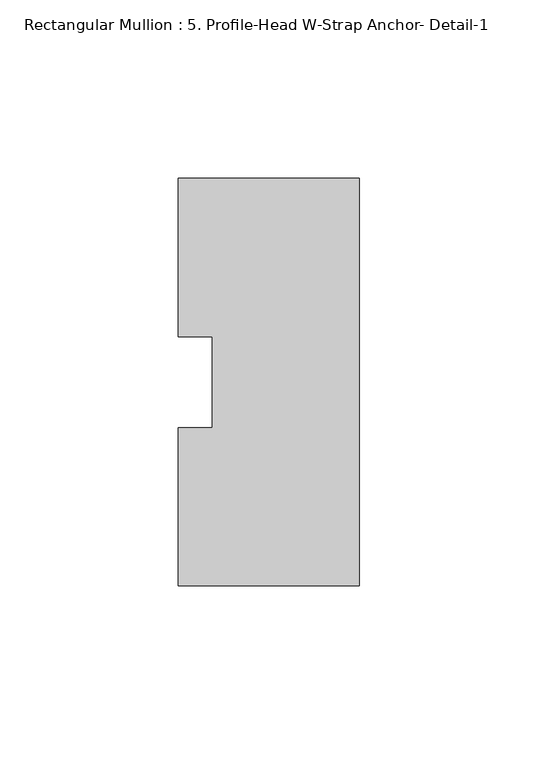
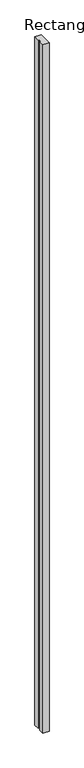
"""IFC4 building model written with IfcOpenShell, lengths in millimetres: member geometry, Rectangular Mullion : 5. Profile-Head W-Strap Anchor- Detail-1."""

from ifc_helpers import new_model, si_unit, frame, origin, place, context, project, spatial, polyline, outline, extrude, source, transform, mapped, element, save


def rectangular_mullion_5_profile_head_w_strap_anchor_detail_1_d3d77f17(model_context):
    return source(origin(), model_context, "Body", "SweptSolid", [
        extrude(outline(polyline([(0.0, 57.15), (0.0, -57.15), (-50.8, -57.15), (-50.8, -12.7549391), (-41.275, -12.7549391), (-41.275, 12.7327592), (-50.8, 12.7327592), (-50.8, 57.15), (0.0, 57.15)])), frame((0.0, 0.0, -6000.75), z_axis=(0.0, 0.0, 1.0), x_axis=(1.0, 0.0, 0.0)), (0.0, 0.0, 1.0), 6000.75),
    ])


if __name__ == "__main__":
    model = new_model("IFC4")
    model_context = context("Model", 3, world=origin())
    ifc_project = project(units=[si_unit("LENGTHUNIT", "METRE", prefix="MILLI")], contexts=[model_context])
    site = spatial("IfcSite", under=ifc_project)
    building = spatial("IfcBuilding", under=site)
    placement = place(None, origin())
    rectangular_mullion_5_profile_head_w_strap_anchor_detail_1_shape = rectangular_mullion_5_profile_head_w_strap_anchor_detail_1_d3d77f17(model_context)
    element("IfcMember", 1, ObjectType="Rectangular Mullion : 5. Profile-Head W-Strap Anchor- Detail-1", at=placement, inside=building, context=model_context, shape_type="MappedRepresentation", body=[
        mapped(rectangular_mullion_5_profile_head_w_strap_anchor_detail_1_shape, transform((0.0, 0.0, 0.0), x_axis=(1.0, 0.0, 0.0), y_axis=(0.0, 1.0, 0.0), z_axis=(0.0, 0.0, 1.0))),
    ])
    save(model, "model.ifc")
